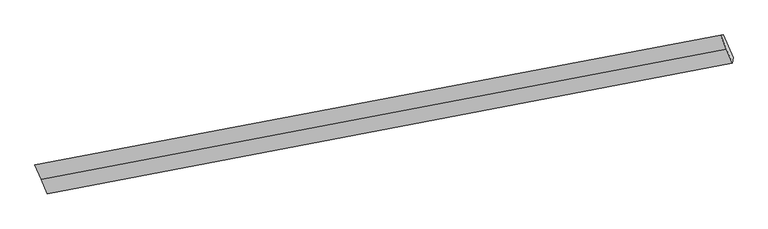
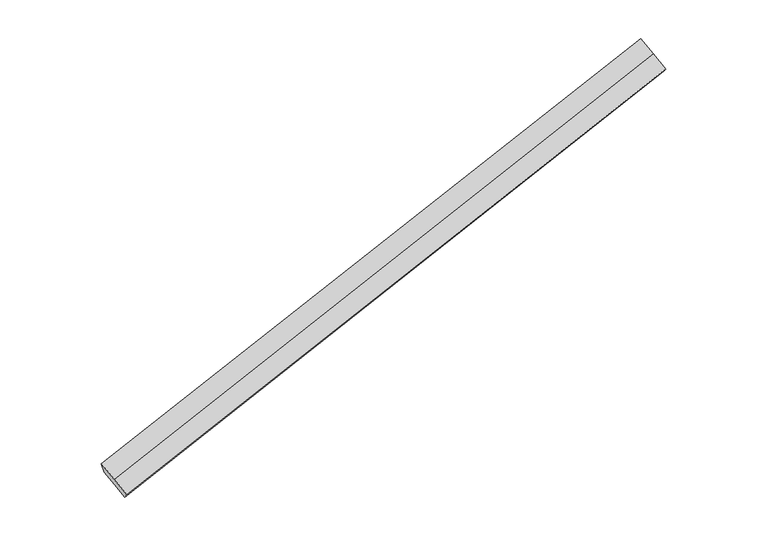
"""IFC4 building model written with IfcOpenShell, lengths in millimetres: proxy geometry."""

from ifc_helpers import new_model, si_unit, frame, origin, place, context, project, spatial, source, transform, mapped, element, save
from ifc_brep_helpers import plane_surface, spline_surface, advanced_brep


def generic_models_31eb0cc6(model_context):
    return source(origin(), model_context, "Body", "AdvancedBrep", [
        advanced_brep(
        [(-7466.7680682, -2192.5138527, 888.601807), (-7385.9553522, -2382.1727199, 728.9013258), (1639.9903443, -664.5256466, 3235.9974426), (1561.5018053, -480.321376, 3391.1049316), (-7425.1846892, -2198.6948872, 743.1505664), (1598.4368305, -475.5932173, 3254.8396754), (-7360.8667829, -2349.6421867, 616.0467999), (1662.7547367, -626.5405169, 3127.7359089), (-7296.5488767, -2500.5894863, 488.9430334), (1727.072643, -777.4878164, 3000.6321424), (-7305.1426363, -2571.8315871, 569.2008446), (1718.4788833, -848.7299172, 3080.8899536)],
        [
            (0, 1),
            (1, 2),
            (2, 3),
            (3, 0),
            (4, 0),
            (3, 5),
            (5, 4),
            (6, 4),
            (5, 7),
            (7, 6),
            (8, 6),
            (7, 9),
            (9, 8),
            (10, 8),
            (9, 11),
            (11, 10),
            (1, 10),
            (11, 2),
        ],
        [
            plane_surface(frame((-7426.3617102, -2287.3432863, 808.7515664), z_axis=(-0.08100462244272918, -0.6619608828447057, 0.7451483347135446), x_axis=(0.30989025847824336, -0.7272795462403044, -0.6123989625405846))),
            spline_surface(1, 1, [[(-7425.1846892, -2198.6948872, 743.1505664), (1598.4368305, -475.5932173, 3254.8396754)], [(-7466.7680682, -2192.5138527, 888.601807), (1561.5018053, -480.321376, 3391.1049316)]], [2, 2], [2, 2], [0.0, 1.0], [0.0, 1.0]),
            plane_surface(frame((-7393.025736, -2274.168537, 679.5986832), z_axis=(0.08100462244271563, 0.6619608828447348, -0.7451483347135205), x_axis=(-0.3098902584782105, 0.7272795462402849, 0.6123989625406246))),
            plane_surface(frame((-7328.7078298, -2425.1158365, 552.4949167), z_axis=(0.08100462244273009, 0.6619608828447037, -0.7451483347135462), x_axis=(-0.3098902584774565, 0.7272795462404568, 0.6123989625408018))),
            plane_surface(frame((-7300.8457565, -2536.2105367, 529.071939), z_axis=(0.309392823471072, -0.7273750653020601, -0.6125370153398261), x_axis=(0.07982338355243682, 0.6617343025334691, -0.7454769884367887))),
            plane_surface(frame((-7345.5489943, -2477.0021535, 649.0510852), z_axis=(-0.08100462244270974, -0.6619608828447502, 0.7451483347135072), x_axis=(0.3098902584776056, -0.7272795462403869, -0.6123989625408095))),
            plane_surface(frame((1651.3725405, -645.5330818, 3181.8666757), z_axis=(0.947415566232009, 0.18213229936165573, 0.26311892822546623), x_axis=(-0.3098902584778335, 0.7272795462403708, 0.6123989625407132))),
            plane_surface(frame((-7373.4110676, -2365.9074533, 672.4740629), z_axis=(-0.9474155662319856, -0.18213229936177, -0.26311892822547156), x_axis=(-0.3098902584779216, 0.7272795462403587, 0.6123989625406832))),
        ],
        [
            (0, [[1, 2, 3, 4]]),
            (1, [[5, -4, 6, 7]]),
            (2, [[8, -7, 9, 10]]),
            (3, [[11, -10, 12, 13]]),
            (4, [[14, -13, 15, 16]]),
            (5, [[17, -16, 18, -2]]),
            (6, [[-12, -9, -6, -3, -18, -15]]),
            (7, [[-1, -5, -8, -11, -14, -17]]),
        ],
    ),
    ])


if __name__ == "__main__":
    model = new_model("IFC4")
    model_context = context("Model", 3, world=origin())
    ifc_project = project(units=[si_unit("LENGTHUNIT", "METRE", prefix="MILLI")], contexts=[model_context])
    site = spatial("IfcSite", under=ifc_project)
    building = spatial("IfcBuilding", under=site)
    placement = place(None, origin())
    generic_models_shape = generic_models_31eb0cc6(model_context)
    element("IfcBuildingElementProxy", 1, Name="Generic Models", at=placement, inside=building, context=model_context, shape_type="MappedRepresentation", body=[
        mapped(generic_models_shape, transform((0.0, 0.0, 0.0), x_axis=(1.0, 0.0, 0.0), y_axis=(0.0, 1.0, 0.0), z_axis=(0.0, 0.0, 1.0))),
    ])
    save(model, "model.ifc")
